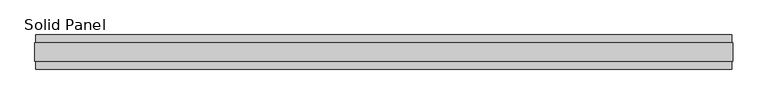
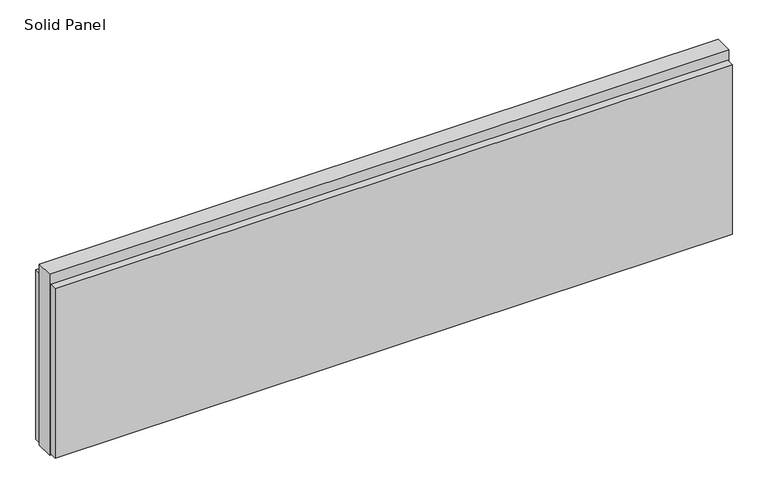
"""IFC4 building model written with IfcOpenShell, lengths in millimetres: plate geometry, Solid Panel."""

from ifc_helpers import new_model, si_unit, frame, origin, origin_with_axes, place, context, project, spatial, polyline, outline, extrude, source, transform, mapped, element, save


def solid_panel_f9b817a6(model_context):
    return source(origin(), model_context, "Body", "SweptSolid", [
        extrude(outline(polyline([(989.0758932, -48.4531867), (-989.0758932, -48.4531867), (-989.0758932, -25.9961), (989.0758932, -25.9961), (989.0758932, -48.4531867)])), frame((0.0, 0.0, 3.0099), z_axis=(0.0, 0.0, 1.0), x_axis=(1.0, 0.0, 0.0)), (0.0, 0.0, 1.0), 523.7861),
        extrude(outline(polyline([(989.0758932, 25.9977), (-989.0758932, 25.9977), (-989.0758932, 48.4547867), (989.0758932, 48.4547867), (989.0758932, 25.9977)])), frame((0.0, 0.0, 3.0099), z_axis=(0.0, 0.0, 1.0), x_axis=(1.0, 0.0, 0.0)), (0.0, 0.0, 1.0), 523.7861),
        extrude(outline(polyline([(992.0730932, -25.9961), (-992.0730932, -25.9961), (-992.0730932, 25.9977), (992.0730932, 25.9977), (992.0730932, -25.9961)])), origin_with_axes(), (0.0, 0.0, 1.0), 558.8),
    ])


if __name__ == "__main__":
    model = new_model("IFC4")
    model_context = context("Model", 3, world=origin())
    ifc_project = project(units=[si_unit("LENGTHUNIT", "METRE", prefix="MILLI")], contexts=[model_context])
    site = spatial("IfcSite", under=ifc_project)
    building = spatial("IfcBuilding", under=site)
    placement = place(None, origin())
    solid_panel_shape = solid_panel_f9b817a6(model_context)
    element("IfcPlate", 1, ObjectType="Solid Panel", at=placement, inside=building, context=model_context, shape_type="MappedRepresentation", body=[
        mapped(solid_panel_shape, transform((0.0, 0.0, 0.0), x_axis=(1.0, 0.0, 0.0), y_axis=(0.0, 1.0, 0.0), z_axis=(0.0, 0.0, 1.0))),
    ])
    save(model, "model.ifc")
